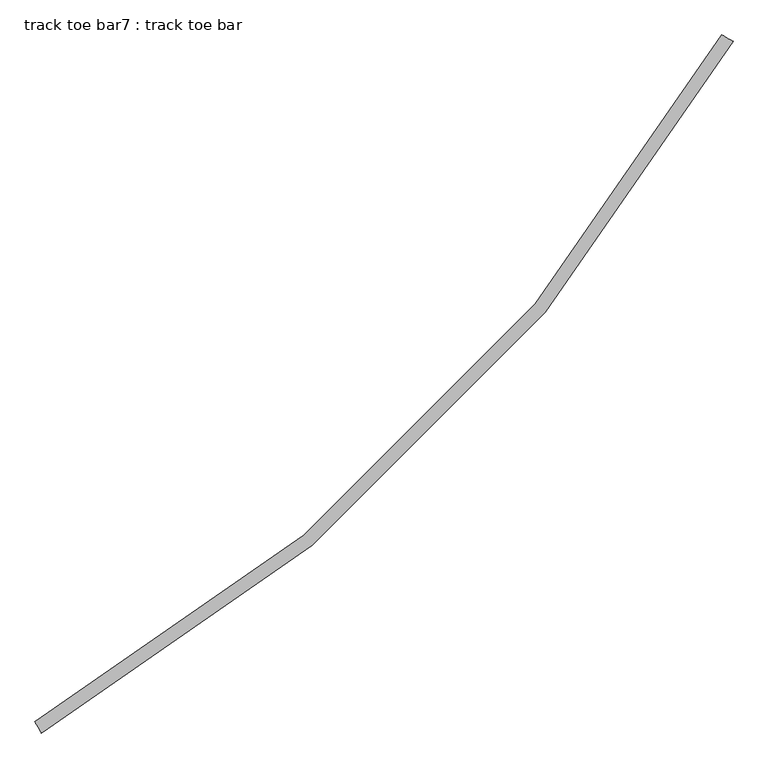
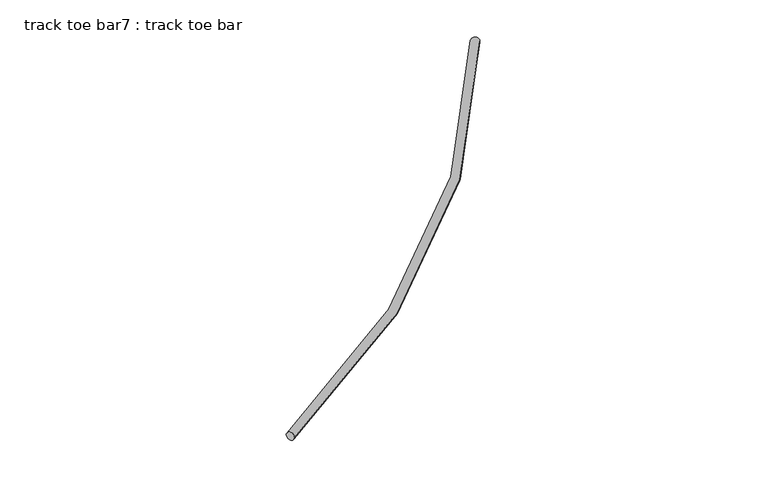
"""IFC4 building model written with IfcOpenShell, lengths in millimetres: proxy geometry, track toe bar7 : track toe bar."""

import ifcopenshell
import ifcopenshell.guid

model = None  # the IFC model being written
_history = None  # IfcOwnerHistory: only IFC2X3 demands one
_inside = {}  # id of a spatial element -> (the spatial element, [elements in it])
_under = {}  # id of a project, library or spatial element -> (it, [spatial elements below it])
_declared = {}  # id of a project -> (the project, [libraries it declares])
_typed = {}  # id of a type object -> (the type object, [elements of that type])
_made_of = {}  # id of a material, layer set ... -> (it, [elements and type objects made of it])


def new_model(schema):
    """Start an empty IFC model of exactly this schema.

    Asked for "IFC4X3", IfcOpenShell would pick the latest addendum, in which some entities
    have other attributes; the version numbers below select the first issue.
    IFC2X3 requires an IfcOwnerHistory on every rooted entity: one is made here for all.
    """
    global model, _history
    if schema == "IFC4X3":
        model = ifcopenshell.file(schema_version=(4, 3, 0, 0))
    else:
        model = ifcopenshell.file(schema=schema)
    _inside.clear()
    _under.clear()
    _declared.clear()
    _typed.clear()
    _made_of.clear()
    _history = None
    if model.schema == "IFC2X3":
        org = make("IfcOrganization", Name="unknown")
        user = make(
            "IfcPersonAndOrganization",
            ThePerson=make("IfcPerson", FamilyName="unknown"),
            TheOrganization=org,
        )
        app = make(
            "IfcApplication",
            ApplicationDeveloper=org,
            Version="unknown",
            ApplicationFullName="unknown",
            ApplicationIdentifier="unknown",
        )
        _history = make(
            "IfcOwnerHistory",
            OwningUser=user,
            OwningApplication=app,
            ChangeAction="ADDED",
            CreationDate=0,
        )
    return model


def make(cls, **values):
    """One entity of the class cls with the attributes given. An attribute that is None is left unset."""
    return model.create_entity(
        cls, **{name: value for name, value in values.items() if value is not None}
    )


def rooted(cls, **values):
    """An entity with a GlobalId (a new one), such as an element, a storey or a relation."""
    return make(cls, GlobalId=ifcopenshell.guid.new(), OwnerHistory=_history, **values)


def si_unit(unit_type, name, prefix=None):
    """IfcSIUnit, for example si_unit("LENGTHUNIT", "METRE", prefix="MILLI")."""
    return make("IfcSIUnit", UnitType=unit_type, Prefix=prefix, Name=name)


def assignment(units):
    """IfcUnitAssignment: the units of a project."""
    return None if units is None else make("IfcUnitAssignment", Units=units)


def point(xyz):
    """IfcCartesianPoint."""
    return None if xyz is None else make("IfcCartesianPoint", Coordinates=xyz)


def direction(xyz):
    """IfcDirection."""
    return None if xyz is None else make("IfcDirection", DirectionRatios=xyz)


def frame(location, z_axis=None, x_axis=None):
    """IfcAxis2Placement3D, a coordinate frame: its origin and axes. An axis left out is left unset."""
    return make(
        "IfcAxis2Placement3D",
        Location=point(location),
        Axis=direction(z_axis),
        RefDirection=direction(x_axis),
    )


def origin():
    """The frame at (0, 0, 0) with its axes left unset."""
    return frame((0.0, 0.0, 0.0))


def place(relative_to, where):
    """IfcLocalPlacement: puts the frame where relative to a parent placement (None: the world)."""
    return make(
        "IfcLocalPlacement", PlacementRelTo=relative_to, RelativePlacement=where
    )


def context(
    kind, dimensions, precision=None, world=None, true_north=None, identifier=None
):
    """IfcGeometricRepresentationContext, for example the 3D "Model" context."""
    return make(
        "IfcGeometricRepresentationContext",
        ContextIdentifier=identifier,
        ContextType=kind,
        CoordinateSpaceDimension=dimensions,
        Precision=precision,
        WorldCoordinateSystem=world,
        TrueNorth=true_north,
    )


def project(units=None, contexts=None):
    """IfcProject with its units and contexts."""
    return rooted(
        "IfcProject",
        Name="project",
        RepresentationContexts=contexts,
        UnitsInContext=assignment(units),
    )


def spatial(cls, under=None, at=None, **own):
    """A site, building, storey or space (cls), placed at a placement, below another one or the project."""
    s = rooted(cls, ObjectPlacement=at, **own)
    if under is not None:
        _under.setdefault(under.id(), (under, []))[1].append(s)
    return s


def circle_curve(where, radius):
    """IfcCircle in the frame where."""
    return make("IfcCircle", Position=where, Radius=radius)


def ellipse_curve(where, semi_axis1, semi_axis2):
    """IfcEllipse in the frame where."""
    return make(
        "IfcEllipse", Position=where, SemiAxis1=semi_axis1, SemiAxis2=semi_axis2
    )


def trimmed(basis, trim1, trim2, sense, master):
    """IfcTrimmedCurve: the piece of a basis curve between two trims."""
    return make(
        "IfcTrimmedCurve",
        BasisCurve=basis,
        Trim1=trim1,
        Trim2=trim2,
        SenseAgreement=sense,
        MasterRepresentation=master,
    )


def shape(context_of_items, identifier, shape_type, items):
    """IfcShapeRepresentation: the items that make up one representation, for example the "Body"."""
    return make(
        "IfcShapeRepresentation",
        ContextOfItems=context_of_items,
        RepresentationIdentifier=identifier,
        RepresentationType=shape_type,
        Items=items,
    )


def source(mapping_origin, context_of_items, identifier, shape_type, items):
    """IfcRepresentationMap: a shape defined once, which mapped items show again and again."""
    return make(
        "IfcRepresentationMap",
        MappingOrigin=mapping_origin,
        MappedRepresentation=shape(context_of_items, identifier, shape_type, items),
    )


def transform(
    local_origin,
    x_axis=None,
    y_axis=None,
    z_axis=None,
    scale=None,
    scale2=None,
    scale3=None,
    uniform=True,
):
    """IfcCartesianTransformationOperator3D, or its non-uniform kind. x_axis, y_axis, z_axis: its Axis1, 2, 3."""
    if uniform:
        return make(
            "IfcCartesianTransformationOperator3D",
            Axis1=direction(x_axis),
            Axis2=direction(y_axis),
            LocalOrigin=point(local_origin),
            Scale=scale,
            Axis3=direction(z_axis),
        )
    return make(
        "IfcCartesianTransformationOperator3DnonUniform",
        Axis1=direction(x_axis),
        Axis2=direction(y_axis),
        LocalOrigin=point(local_origin),
        Scale=scale,
        Axis3=direction(z_axis),
        Scale2=scale2,
        Scale3=scale3,
    )


def mapped(mapping_source, mapping_target):
    """IfcMappedItem: shows the shape of a source again, moved by a transform."""
    return make(
        "IfcMappedItem", MappingSource=mapping_source, MappingTarget=mapping_target
    )


def made_of(thing, what):
    """Note that an element or type object is made of a material, layer set ...; save() writes the relation."""
    if what is not None:
        _made_of.setdefault(what.id(), (what, []))[1].append(thing)
    return thing


def element(
    cls,
    number,
    at=None,
    inside=None,
    cuts=None,
    type_object=None,
    material=None,
    context=None,
    identifier="Body",
    shape_type=None,
    held_by="IfcProductDefinitionShape",
    body=None,
    shapes=None,
    **own,
):
    """One element of the class cls, such as IfcWall. Its Tag is "e" and its number.

    at: its placement. inside: the storey or other place that contains it. cuts: it is an
    opening in that element (IfcRelVoidsElement). A single representation is given by context,
    identifier, shape_type and body (its items); several are given by shapes. held_by: the class
    of the entity that holds the representations. save() writes the other relations.
    """
    e = rooted(cls, Tag="e%d" % number, ObjectPlacement=at, **own)
    if body is not None:
        shapes = [shape(context, identifier, shape_type, body)]
    if shapes is not None:
        e.Representation = make(held_by, Representations=shapes)
    if inside is not None:
        _inside.setdefault(inside.id(), (inside, []))[1].append(e)
    if cuts is not None:
        rooted(
            "IfcRelVoidsElement", RelatingBuildingElement=cuts, RelatedOpeningElement=e
        )
    if type_object is not None:
        _typed.setdefault(type_object.id(), (type_object, []))[1].append(e)
    return made_of(e, material)


def aggregate(whole, parts):
    """IfcRelAggregates: a whole, such as a stair, and the parts it consists of."""
    return rooted("IfcRelAggregates", RelatingObject=whole, RelatedObjects=parts)


def save(model, path):
    """Write the relations noted so far, then the file.

    IfcRelAggregates (storeys below a building ...), IfcRelContainedInSpatialStructure (elements
    in a storey), IfcRelDefinesByType, IfcRelAssociatesMaterial and IfcRelDeclares: one each for
    every whole, place, type object, material and project.
    """
    for whole, parts in _under.values():
        aggregate(whole, parts)
    for where, things in _inside.values():
        rooted(
            "IfcRelContainedInSpatialStructure",
            RelatedElements=things,
            RelatingStructure=where,
        )
    for kind, things in _typed.values():
        rooted("IfcRelDefinesByType", RelatedObjects=things, RelatingType=kind)
    for what, things in _made_of.values():
        rooted("IfcRelAssociatesMaterial", RelatedObjects=things, RelatingMaterial=what)
    for by, libraries in _declared.values():
        rooted("IfcRelDeclares", RelatingContext=by, RelatedDefinitions=libraries)
    model.write(path)


def plane_surface(at):
    """IfcPlane: the flat surface through the origin of the frame at, square to its z axis."""
    return make("IfcPlane", Position=at)


def revolved_surface(curve, axis_point, axis_direction):
    """IfcSurfaceOfRevolution: the curve turned about the line through axis_point along axis_direction."""
    return make(
        "IfcSurfaceOfRevolution",
        SweptCurve=make("IfcArbitraryOpenProfileDef", ProfileType="CURVE", Curve=curve),
        AxisPosition=make("IfcAxis1Placement", Location=point(axis_point), Axis=direction(axis_direction)),
    )


def advanced_brep(points, edges, surfaces, faces):
    """IfcAdvancedBrep: a solid bounded by faces that lie on surfaces and meet in shared edges.

    An edge is (start, end): straight between two places in points (the first is 0);
    or (start, end, curve); or (start, end, curve, False) where it runs against its curve.
    A face is (place in surfaces, loops), or (place, loops, False) where it looks against
    its surface's normal. A loop lists edges by number (the first is 1), with a minus sign
    where the edge is run from its end to its start. The first loop is the outer one.
    """
    corners = [point(p) for p in points]
    vertices = [make("IfcVertexPoint", VertexGeometry=c) for c in corners]
    made = []
    for start, end, *more in edges:
        made.append(
            make(
                "IfcEdgeCurve",
                EdgeStart=vertices[start],
                EdgeEnd=vertices[end],
                EdgeGeometry=more[0] if more else make("IfcPolyline", Points=[corners[start], corners[end]]),
                SameSense=more[1] if len(more) > 1 else True,
            )
        )
    hull = []
    for where, loops, *sense in faces:
        bounds = []
        for j, loop in enumerate(loops):
            ring = [make("IfcOrientedEdge", EdgeElement=made[abs(k) - 1], Orientation=k > 0) for k in loop]
            bounds.append(
                make(
                    "IfcFaceOuterBound" if j == 0 else "IfcFaceBound",
                    Bound=make("IfcEdgeLoop", EdgeList=ring),
                    Orientation=True,
                )
            )
        hull.append(make("IfcAdvancedFace", Bounds=bounds, FaceSurface=surfaces[where], SameSense=sense[0] if sense else True))
    return make("IfcAdvancedBrep", Outer=make("IfcClosedShell", CfsFaces=hull))


def track_toe_bar7_track_toe_bar_bf9d741f(model_context):
    return source(origin(), model_context, "Body", "AdvancedBrep", [
        advanced_brep(
        [(755411.1977689, -289920.2731388, 4855.8150744), (755344.9385812, -289882.6412367, 4855.8150744), (751408.1490102, -293923.3218975, 4855.8150744), (751370.5171081, -293857.0627099, 4855.8150744)],
        [
            (0, 1, circle_curve(frame((755378.0681751, -289901.4571878, 4855.8150744), z_axis=(0.493856982949602, 0.8695431446408605, 0.0), x_axis=(-0.8695431446408605, 0.493856982949602, 0.0)), 38.1)),
            (1, 0, circle_curve(frame((755378.0681751, -289901.4571878, 4855.8150744), z_axis=(0.493856982949602, 0.8695431446408605, 0.0), x_axis=(-0.8695431446408605, 0.493856982949602, 0.0)), 38.1)),
            (2, 3, circle_curve(frame((751389.3330591, -293890.1923037, 4855.8150744), z_axis=(-0.8695431446408337, -0.49385698294964936, 0.0), x_axis=(-0.49385698294964936, 0.8695431446408337, 0.0)), 38.1)),
            (3, 2, circle_curve(frame((751389.3330591, -293890.1923037, 4855.8150744), z_axis=(-0.8695431446408337, -0.49385698294964936, 0.0), x_axis=(-0.49385698294964936, 0.8695431446408337, 0.0)), 38.1)),
            (2, 0, circle_curve(frame((746145.9546997, -284658.0788284, 4855.8150744), z_axis=(0.0, 0.0, 1.0), x_axis=(0.8695431446408605, -0.493856982949602, 0.0)), 10655.3)),
            (1, 3, circle_curve(frame((746145.9546997, -284658.0788284, 4855.8150744), z_axis=(0.0, 0.0, -1.0), x_axis=(0.8695431446408605, -0.493856982949602, 0.0)), 10579.1)),
        ],
        [
            plane_surface(frame((755378.0681751, -289901.4571878, 4927.6), z_axis=(0.49385698294960206, 0.8695431446408606, 0.0), x_axis=(0.0, 0.0, 1.0))),
            plane_surface(frame((751389.3330591, -293890.1923037, 4927.6), z_axis=(-0.8695431446408337, -0.4938569829496494, 0.0), x_axis=(0.0, 0.0, 1.0))),
            revolved_surface(trimmed(ellipse_curve(frame((755378.0681751, -289901.4571878, 4855.8150744), z_axis=(0.493856982949602, 0.8695431446408605, 0.0), x_axis=(-0.8695431446408605, 0.493856982949602, 0.0)), 38.1, 38.1), [point((755344.9385812, -289882.6412367, 4855.8150744))], [point((755411.1977689, -289920.2731388, 4855.8150744))], True, "CARTESIAN"), (746145.9546997, -284658.0788284, 4927.6), (0.0, 0.0, -1.0)),
            revolved_surface(trimmed(ellipse_curve(frame((755378.0681751, -289901.4571878, 4855.8150744), z_axis=(0.493856982949602, 0.8695431446408605, 0.0), x_axis=(-0.8695431446408605, 0.493856982949602, 0.0)), 38.1, 38.1), [point((755411.1977689, -289920.2731388, 4855.8150744))], [point((755344.9385812, -289882.6412367, 4855.8150744))], True, "CARTESIAN"), (746145.9546997, -284658.0788284, 4927.6), (0.0, 0.0, -1.0)),
        ],
        [
            (0, [[1, 2]]),
            (1, [[3, 4]]),
            (2, [[5, -2, 6, -3]]),
            (3, [[-6, -1, -5, -4]]),
        ],
    ),
    ])


if __name__ == "__main__":
    model = new_model("IFC4")
    model_context = context("Model", 3, world=origin())
    ifc_project = project(units=[si_unit("LENGTHUNIT", "METRE", prefix="MILLI")], contexts=[model_context])
    site = spatial("IfcSite", under=ifc_project)
    building = spatial("IfcBuilding", under=site)
    placement = place(None, origin())
    track_toe_bar7_track_toe_bar_shape = track_toe_bar7_track_toe_bar_bf9d741f(model_context)
    element("IfcBuildingElementProxy", 1, Name="track toe bar7 : track toe bar", ObjectType="track toe bar7 : track toe bar", at=placement, inside=building, context=model_context, shape_type="MappedRepresentation", body=[
        mapped(track_toe_bar7_track_toe_bar_shape, transform((0.0, 0.0, 0.0), x_axis=(1.0, 0.0, 0.0), y_axis=(0.0, 1.0, 0.0), z_axis=(0.0, 0.0, 1.0))),
    ])
    save(model, "model.ifc")
